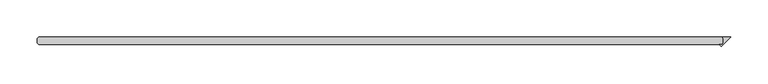
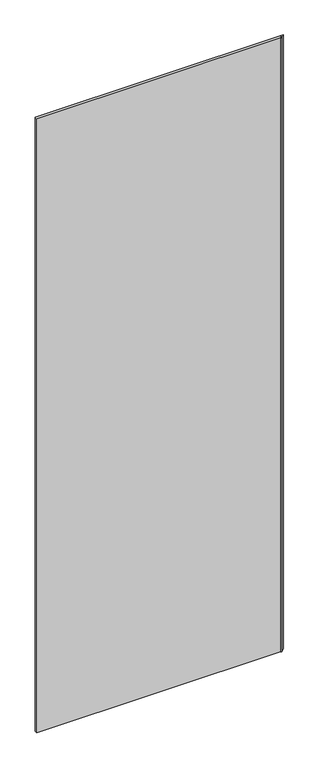
"""IFC4 building model written with IfcOpenShell, lengths in millimetres: plate geometry."""

from ifc_helpers import new_model, si_unit, origin, origin_with_axes, place, context, project, spatial, polyline, outline, extrude, source, transform, mapped, element, save


def plate_1cb8034e(model_context):
    return source(origin(), model_context, "Body", "SweptSolid", [
        extrude(outline(polyline([(440.928125, -26.9875), (439.340625, -25.4), (450.453125, -25.4), (438.218093, -37.635032), (435.508061, -34.925), (439.340625, -34.925), (440.928125, -33.3375), (440.928125, -26.9875)])), origin_with_axes(), (0.0, 0.0, 1.0), 2417.075),
        extrude(outline(polyline([(439.340625, -25.4), (440.928125, -26.9875), (440.928125, -33.3375), (439.340625, -34.925), (-474.265625, -34.925), (-475.853125, -33.3375), (-475.853125, -26.9875), (-474.265625, -25.4), (439.340625, -25.4)])), origin_with_axes(), (0.0, 0.0, 1.0), 2417.075),
    ])


if __name__ == "__main__":
    model = new_model("IFC4")
    model_context = context("Model", 3, world=origin())
    ifc_project = project(units=[si_unit("LENGTHUNIT", "METRE", prefix="MILLI")], contexts=[model_context])
    site = spatial("IfcSite", under=ifc_project)
    building = spatial("IfcBuilding", under=site)
    placement = place(None, origin())
    plate_shape = plate_1cb8034e(model_context)
    element("IfcPlate", 1, at=placement, inside=building, context=model_context, shape_type="MappedRepresentation", body=[
        mapped(plate_shape, transform((0.0, 0.0, 0.0), x_axis=(1.0, 0.0, 0.0), y_axis=(0.0, 1.0, 0.0), z_axis=(0.0, 0.0, 1.0))),
    ])
    save(model, "model.ifc")
